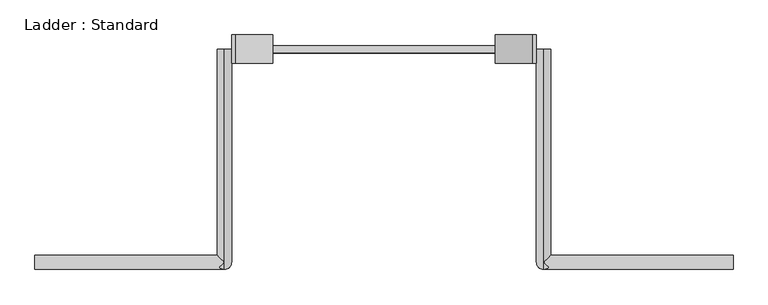
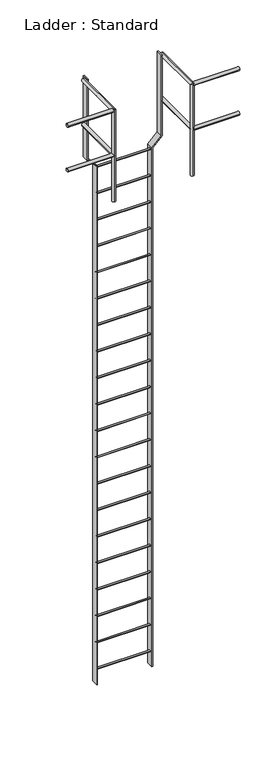
"""IFC4 building model written with IfcOpenShell, lengths in millimetres: proxy geometry, Ladder : Standard."""

from ifc_helpers import new_model, si_unit, point, frame, frame_2d, origin, place, context, project, spatial, polyline, circle_curve, ellipse_curve, trimmed, segment, composite_curve, outline, extrude, source, transform, mapped, element, save
from ifc_brep_helpers import plane_surface, cylinder_surface, advanced_brep


def ladder_standard_4000317c(model_context):
    return source(origin(), model_context, "Body", "SolidModel", [
        extrude(outline(composite_curve([segment(trimmed(circle_curve(frame_2d((571.5, -5791.2)), 9.525), [point((561.975, -5791.2))], [point((581.025, -5791.2))], False, "CARTESIAN"), True, "CONTINUOUS"), segment(trimmed(circle_curve(frame_2d((571.5, -5791.2)), 9.525), [point((581.025, -5791.2))], [point((561.975, -5791.2))], False, "CARTESIAN"), True, "CONTINUOUS")], self_intersect=False)), frame((-297.6516683, 0.0, 0.0), z_axis=(1.0, 0.0, 0.0), x_axis=(0.0, 1.0, 0.0)), (0.0, 0.0, 1.0), 595.3033366),
        extrude(outline(composite_curve([segment(trimmed(circle_curve(frame_2d((571.5, -5486.4)), 9.525), [point((561.975, -5486.4))], [point((581.025, -5486.4))], False, "CARTESIAN"), True, "CONTINUOUS"), segment(trimmed(circle_curve(frame_2d((571.5, -5486.4)), 9.525), [point((581.025, -5486.4))], [point((561.975, -5486.4))], False, "CARTESIAN"), True, "CONTINUOUS")], self_intersect=False)), frame((-297.6516683, 0.0, 0.0), z_axis=(1.0, 0.0, 0.0), x_axis=(0.0, 1.0, 0.0)), (0.0, 0.0, 1.0), 595.3033366),
        extrude(outline(composite_curve([segment(trimmed(circle_curve(frame_2d((571.5, -5181.6)), 9.525), [point((561.975, -5181.6))], [point((581.025, -5181.6))], False, "CARTESIAN"), True, "CONTINUOUS"), segment(trimmed(circle_curve(frame_2d((571.5, -5181.6)), 9.525), [point((581.025, -5181.6))], [point((561.975, -5181.6))], False, "CARTESIAN"), True, "CONTINUOUS")], self_intersect=False)), frame((-297.6516683, 0.0, 0.0), z_axis=(1.0, 0.0, 0.0), x_axis=(0.0, 1.0, 0.0)), (0.0, 0.0, 1.0), 595.3033366),
        extrude(outline(composite_curve([segment(trimmed(circle_curve(frame_2d((571.5, -4876.8)), 9.525), [point((561.975, -4876.8))], [point((581.025, -4876.8))], False, "CARTESIAN"), True, "CONTINUOUS"), segment(trimmed(circle_curve(frame_2d((571.5, -4876.8)), 9.525), [point((581.025, -4876.8))], [point((561.975, -4876.8))], False, "CARTESIAN"), True, "CONTINUOUS")], self_intersect=False)), frame((-297.6516683, 0.0, 0.0), z_axis=(1.0, 0.0, 0.0), x_axis=(0.0, 1.0, 0.0)), (0.0, 0.0, 1.0), 595.3033366),
        extrude(outline(composite_curve([segment(trimmed(circle_curve(frame_2d((571.5, -4572.0)), 9.525), [point((561.975, -4572.0))], [point((581.025, -4572.0))], False, "CARTESIAN"), True, "CONTINUOUS"), segment(trimmed(circle_curve(frame_2d((571.5, -4572.0)), 9.525), [point((581.025, -4572.0))], [point((561.975, -4572.0))], False, "CARTESIAN"), True, "CONTINUOUS")], self_intersect=False)), frame((-297.6516683, 0.0, 0.0), z_axis=(1.0, 0.0, 0.0), x_axis=(0.0, 1.0, 0.0)), (0.0, 0.0, 1.0), 595.3033366),
        extrude(outline(composite_curve([segment(trimmed(circle_curve(frame_2d((571.5, -4267.2)), 9.525), [point((561.975, -4267.2))], [point((581.025, -4267.2))], False, "CARTESIAN"), True, "CONTINUOUS"), segment(trimmed(circle_curve(frame_2d((571.5, -4267.2)), 9.525), [point((581.025, -4267.2))], [point((561.975, -4267.2))], False, "CARTESIAN"), True, "CONTINUOUS")], self_intersect=False)), frame((-297.6516683, 0.0, 0.0), z_axis=(1.0, 0.0, 0.0), x_axis=(0.0, 1.0, 0.0)), (0.0, 0.0, 1.0), 595.3033366),
        extrude(outline(composite_curve([segment(trimmed(circle_curve(frame_2d((571.5, -3962.4)), 9.525), [point((561.975, -3962.4))], [point((581.025, -3962.4))], False, "CARTESIAN"), True, "CONTINUOUS"), segment(trimmed(circle_curve(frame_2d((571.5, -3962.4)), 9.525), [point((581.025, -3962.4))], [point((561.975, -3962.4))], False, "CARTESIAN"), True, "CONTINUOUS")], self_intersect=False)), frame((-297.6516683, 0.0, 0.0), z_axis=(1.0, 0.0, 0.0), x_axis=(0.0, 1.0, 0.0)), (0.0, 0.0, 1.0), 595.3033366),
        extrude(outline(composite_curve([segment(trimmed(circle_curve(frame_2d((571.5, -3657.6)), 9.525), [point((561.975, -3657.6))], [point((581.025, -3657.6))], False, "CARTESIAN"), True, "CONTINUOUS"), segment(trimmed(circle_curve(frame_2d((571.5, -3657.6)), 9.525), [point((581.025, -3657.6))], [point((561.975, -3657.6))], False, "CARTESIAN"), True, "CONTINUOUS")], self_intersect=False)), frame((-297.6516683, 0.0, 0.0), z_axis=(1.0, 0.0, 0.0), x_axis=(0.0, 1.0, 0.0)), (0.0, 0.0, 1.0), 595.3033366),
        extrude(outline(composite_curve([segment(trimmed(circle_curve(frame_2d((571.5, -3352.8)), 9.525), [point((561.975, -3352.8))], [point((581.025, -3352.8))], False, "CARTESIAN"), True, "CONTINUOUS"), segment(trimmed(circle_curve(frame_2d((571.5, -3352.8)), 9.525), [point((581.025, -3352.8))], [point((561.975, -3352.8))], False, "CARTESIAN"), True, "CONTINUOUS")], self_intersect=False)), frame((-297.6516683, 0.0, 0.0), z_axis=(1.0, 0.0, 0.0), x_axis=(0.0, 1.0, 0.0)), (0.0, 0.0, 1.0), 595.3033366),
        extrude(outline(composite_curve([segment(trimmed(circle_curve(frame_2d((571.5, -3048.0)), 9.525), [point((561.975, -3048.0))], [point((581.025, -3048.0))], False, "CARTESIAN"), True, "CONTINUOUS"), segment(trimmed(circle_curve(frame_2d((571.5, -3048.0)), 9.525), [point((581.025, -3048.0))], [point((561.975, -3048.0))], False, "CARTESIAN"), True, "CONTINUOUS")], self_intersect=False)), frame((-297.6516683, 0.0, 0.0), z_axis=(1.0, 0.0, 0.0), x_axis=(0.0, 1.0, 0.0)), (0.0, 0.0, 1.0), 595.3033366),
        extrude(outline(composite_curve([segment(trimmed(circle_curve(frame_2d((571.5, -2743.2)), 9.525), [point((561.975, -2743.2))], [point((581.025, -2743.2))], False, "CARTESIAN"), True, "CONTINUOUS"), segment(trimmed(circle_curve(frame_2d((571.5, -2743.2)), 9.525), [point((581.025, -2743.2))], [point((561.975, -2743.2))], False, "CARTESIAN"), True, "CONTINUOUS")], self_intersect=False)), frame((-297.6516683, 0.0, 0.0), z_axis=(1.0, 0.0, 0.0), x_axis=(0.0, 1.0, 0.0)), (0.0, 0.0, 1.0), 595.3033366),
        extrude(outline(composite_curve([segment(trimmed(circle_curve(frame_2d((571.5, -2438.4)), 9.525), [point((561.975, -2438.4))], [point((581.025, -2438.4))], False, "CARTESIAN"), True, "CONTINUOUS"), segment(trimmed(circle_curve(frame_2d((571.5, -2438.4)), 9.525), [point((581.025, -2438.4))], [point((561.975, -2438.4))], False, "CARTESIAN"), True, "CONTINUOUS")], self_intersect=False)), frame((-297.6516683, 0.0, 0.0), z_axis=(1.0, 0.0, 0.0), x_axis=(0.0, 1.0, 0.0)), (0.0, 0.0, 1.0), 595.3033366),
        extrude(outline(composite_curve([segment(trimmed(circle_curve(frame_2d((571.5, -2133.6)), 9.525), [point((561.975, -2133.6))], [point((581.025, -2133.6))], False, "CARTESIAN"), True, "CONTINUOUS"), segment(trimmed(circle_curve(frame_2d((571.5, -2133.6)), 9.525), [point((581.025, -2133.6))], [point((561.975, -2133.6))], False, "CARTESIAN"), True, "CONTINUOUS")], self_intersect=False)), frame((-297.6516683, 0.0, 0.0), z_axis=(1.0, 0.0, 0.0), x_axis=(0.0, 1.0, 0.0)), (0.0, 0.0, 1.0), 595.3033366),
        extrude(outline(composite_curve([segment(trimmed(circle_curve(frame_2d((571.5, -1828.8)), 9.525), [point((561.975, -1828.8))], [point((581.025, -1828.8))], False, "CARTESIAN"), True, "CONTINUOUS"), segment(trimmed(circle_curve(frame_2d((571.5, -1828.8)), 9.525), [point((581.025, -1828.8))], [point((561.975, -1828.8))], False, "CARTESIAN"), True, "CONTINUOUS")], self_intersect=False)), frame((-297.6516683, 0.0, 0.0), z_axis=(1.0, 0.0, 0.0), x_axis=(0.0, 1.0, 0.0)), (0.0, 0.0, 1.0), 595.3033366),
        extrude(outline(composite_curve([segment(trimmed(circle_curve(frame_2d((571.5, -1524.0)), 9.525), [point((561.975, -1524.0))], [point((581.025, -1524.0))], False, "CARTESIAN"), True, "CONTINUOUS"), segment(trimmed(circle_curve(frame_2d((571.5, -1524.0)), 9.525), [point((581.025, -1524.0))], [point((561.975, -1524.0))], False, "CARTESIAN"), True, "CONTINUOUS")], self_intersect=False)), frame((-297.6516683, 0.0, 0.0), z_axis=(1.0, 0.0, 0.0), x_axis=(0.0, 1.0, 0.0)), (0.0, 0.0, 1.0), 595.3033366),
        extrude(outline(composite_curve([segment(trimmed(circle_curve(frame_2d((571.5, -1219.2)), 9.525), [point((561.975, -1219.2))], [point((581.025, -1219.2))], False, "CARTESIAN"), True, "CONTINUOUS"), segment(trimmed(circle_curve(frame_2d((571.5, -1219.2)), 9.525), [point((581.025, -1219.2))], [point((561.975, -1219.2))], False, "CARTESIAN"), True, "CONTINUOUS")], self_intersect=False)), frame((-297.6516683, 0.0, 0.0), z_axis=(1.0, 0.0, 0.0), x_axis=(0.0, 1.0, 0.0)), (0.0, 0.0, 1.0), 595.3033366),
        extrude(outline(composite_curve([segment(trimmed(circle_curve(frame_2d((571.5, -914.4)), 9.525), [point((561.975, -914.4))], [point((581.025, -914.4))], False, "CARTESIAN"), True, "CONTINUOUS"), segment(trimmed(circle_curve(frame_2d((571.5, -914.4)), 9.525), [point((581.025, -914.4))], [point((561.975, -914.4))], False, "CARTESIAN"), True, "CONTINUOUS")], self_intersect=False)), frame((-297.6516683, 0.0, 0.0), z_axis=(1.0, 0.0, 0.0), x_axis=(0.0, 1.0, 0.0)), (0.0, 0.0, 1.0), 595.3033366),
        extrude(outline(composite_curve([segment(trimmed(circle_curve(frame_2d((571.5, -609.6)), 9.525), [point((561.975, -609.6))], [point((581.025, -609.6))], False, "CARTESIAN"), True, "CONTINUOUS"), segment(trimmed(circle_curve(frame_2d((571.5, -609.6)), 9.525), [point((581.025, -609.6))], [point((561.975, -609.6))], False, "CARTESIAN"), True, "CONTINUOUS")], self_intersect=False)), frame((-297.6516683, 0.0, 0.0), z_axis=(1.0, 0.0, 0.0), x_axis=(0.0, 1.0, 0.0)), (0.0, 0.0, 1.0), 595.3033366),
        extrude(outline(composite_curve([segment(trimmed(circle_curve(frame_2d((571.5, -304.8)), 9.525), [point((561.975, -304.8))], [point((581.025, -304.8))], False, "CARTESIAN"), True, "CONTINUOUS"), segment(trimmed(circle_curve(frame_2d((571.5, -304.8)), 9.525), [point((581.025, -304.8))], [point((561.975, -304.8))], False, "CARTESIAN"), True, "CONTINUOUS")], self_intersect=False)), frame((-297.6516683, 0.0, 0.0), z_axis=(1.0, 0.0, 0.0), x_axis=(0.0, 1.0, 0.0)), (0.0, 0.0, 1.0), 595.3033366),
        extrude(outline(composite_curve([segment(trimmed(circle_curve(frame_2d((571.5, 0.0)), 9.525), [point((561.975, 0.0))], [point((581.025, 0.0))], False, "CARTESIAN"), True, "CONTINUOUS"), segment(trimmed(circle_curve(frame_2d((571.5, 0.0)), 9.525), [point((581.025, 0.0))], [point((561.975, 0.0))], False, "CARTESIAN"), True, "CONTINUOUS")], self_intersect=False)), frame((-297.6516683, 0.0, 0.0), z_axis=(1.0, 0.0, 0.0), x_axis=(0.0, 1.0, 0.0)), (0.0, 0.0, 1.0), 595.3033366),
        advanced_brep(
        [(408.7766683, 571.5, 533.4), (446.8766683, 571.5, 533.4), (446.8766683, 19.05, 533.4), (441.2970525, 13.4703842, 519.9296158), (427.8266683, 19.05, 514.35), (408.7766683, 0.0, 533.4), (427.8266683, 19.05, 552.45), (441.2970525, 13.4703842, 546.8703842), (935.8266683, -19.05, 533.4), (935.8266683, 19.05, 533.4), (427.8266683, -19.05, 533.4), (427.8266683, 19.05, 0.0), (427.8266683, -19.05, 0.0), (427.8266683, 19.05, 1028.7), (441.2970525, 13.4703842, 1034.2796158), (427.8266683, -19.05, 1047.75), (441.2970525, -13.4703842, 1061.2203842), (427.8266683, -19.05, 1066.8), (427.8266683, 571.5, 1028.7), (427.8266683, 571.5, 1066.8), (427.8266683, 0.0, 1066.8), (446.8766683, 19.05, 1047.75), (935.8266683, -19.05, 1047.75), (935.8266683, 19.05, 1047.75)],
        [
            (0, 1, circle_curve(frame((427.8266683, 571.5, 533.4), z_axis=(0.0, 1.0, 0.0), x_axis=(1.0, 0.0, 0.0)), 19.05)),
            (1, 0, circle_curve(frame((427.8266683, 571.5, 533.4), z_axis=(0.0, 1.0, 0.0), x_axis=(1.0, 0.0, 0.0)), 19.05)),
            (1, 2),
            (2, 3, ellipse_curve(frame((427.8266683, 0.0, 533.4), z_axis=(-0.7071067811865459, 0.7071067811865492, 0.0), x_axis=(-0.7071067811865492, -0.7071067811865457, 0.0)), 26.9407684, 19.05)),
            (3, 4, ellipse_curve(frame((427.8266683, 0.0, 533.4), z_axis=(0.0, 0.7071067811865475, 0.7071067811865475), x_axis=(0.0, -0.7071067811865476, 0.7071067811865474)), 26.9407684, 19.05)),
            (4, 5, ellipse_curve(frame((427.8266683, 0.0, 533.4), z_axis=(0.0, 0.7071067811865475, 0.7071067811865475), x_axis=(0.0, -0.7071067811865476, 0.7071067811865474)), 26.9407684, 19.05)),
            (5, 0),
            (5, 6, ellipse_curve(frame((427.8266683, 0.0, 533.4), z_axis=(0.0, 0.7071067811865475, -0.7071067811865475), x_axis=(0.0, -0.7071067811865476, -0.7071067811865474)), 26.9407684, 19.05)),
            (6, 7, ellipse_curve(frame((427.8266683, 0.0, 533.4), z_axis=(0.0, 0.7071067811865475, -0.7071067811865475), x_axis=(0.0, -0.7071067811865476, -0.7071067811865474)), 26.9407684, 19.05)),
            (7, 2, ellipse_curve(frame((427.8266683, 0.0, 533.4), z_axis=(-0.7071067811865459, 0.7071067811865492, 0.0), x_axis=(-0.7071067811865492, -0.7071067811865457, 0.0)), 26.9407684, 19.05)),
            (8, 9, circle_curve(frame((935.8266683, 0.0, 533.4), z_axis=(1.0, 0.0, 0.0), x_axis=(0.0, 1.0, 0.0)), 19.05)),
            (9, 8, circle_curve(frame((935.8266683, 0.0, 533.4), z_axis=(1.0, 0.0, 0.0), x_axis=(0.0, 1.0, 0.0)), 19.05)),
            (8, 10),
            (10, 3, ellipse_curve(frame((427.8266683, 0.0, 533.4), z_axis=(0.7071067811865475, 0.0, 0.7071067811865476), x_axis=(0.7071067811865476, 0.0, -0.7071067811865474)), 26.9407684, 19.05)),
            (2, 9),
            (7, 10, ellipse_curve(frame((427.8266683, 0.0, 533.4), z_axis=(0.7071067811865476, 0.0, -0.7071067811865475), x_axis=(0.7071067811865474, 0.0, 0.7071067811865476)), 26.9407684, 19.05)),
            (11, 12, circle_curve(frame((427.8266683, 0.0, 0.0), z_axis=(0.0, 0.0, -1.0), x_axis=(0.0, -1.0, 0.0)), 19.05)),
            (12, 11, circle_curve(frame((427.8266683, 0.0, 0.0), z_axis=(0.0, 0.0, -1.0), x_axis=(0.0, -1.0, 0.0)), 19.05)),
            (11, 4),
            (10, 12),
            (6, 13),
            (13, 14, ellipse_curve(frame((427.8266683, 0.0, 1047.75), z_axis=(0.0, -0.7071067811865475, -0.7071067811865475), x_axis=(0.0, 0.7071067811865474, -0.7071067811865476)), 26.9407684, 19.05)),
            (14, 15, ellipse_curve(frame((427.8266683, 0.0, 1047.75), z_axis=(-0.7071067811865475, 0.0, -0.7071067811865476), x_axis=(0.7071067811865476, 0.0, -0.7071067811865474)), 26.9407684, 19.05)),
            (15, 10),
            (16, 17, ellipse_curve(frame((427.8266683, 0.0, 1047.75), z_axis=(0.0, -0.7071067811865475, -0.7071067811865475), x_axis=(0.0, 0.7071067811865474, -0.7071067811865476)), 26.9407684, 19.05)),
            (17, 15),
            (15, 16, ellipse_curve(frame((427.8266683, 0.0, 1047.75), z_axis=(-0.7071067811865476, 0.0, 0.7071067811865475), x_axis=(-0.7071067811865474, 0.0, -0.7071067811865476)), 26.9407684, 19.05)),
            (17, 13, ellipse_curve(frame((427.8266683, 0.0, 1047.75), z_axis=(0.0, -0.7071067811865475, -0.7071067811865475), x_axis=(0.0, 0.7071067811865474, -0.7071067811865476)), 26.9407684, 19.05)),
            (18, 19, circle_curve(frame((427.8266683, 571.5, 1047.75), z_axis=(0.0, 1.0, 0.0), x_axis=(0.0, 0.0, 1.0)), 19.05)),
            (19, 18, circle_curve(frame((427.8266683, 571.5, 1047.75), z_axis=(0.0, 1.0, 0.0), x_axis=(0.0, 0.0, 1.0)), 19.05)),
            (16, 20, ellipse_curve(frame((427.8266683, 0.0, 1047.75), z_axis=(-0.7071067811865508, -0.7071067811865441, 0.0), x_axis=(0.7071067811865441, -0.7071067811865509, 0.0)), 26.9407684, 19.05)),
            (20, 17),
            (19, 20),
            (20, 21, ellipse_curve(frame((427.8266683, 0.0, 1047.75), z_axis=(-0.7071067811865441, 0.7071067811865508, 0.0), x_axis=(-0.7071067811865507, -0.7071067811865442, 0.0)), 26.9407684, 19.05)),
            (21, 14, ellipse_curve(frame((427.8266683, 0.0, 1047.75), z_axis=(-0.7071067811865441, 0.7071067811865508, 0.0), x_axis=(-0.7071067811865507, -0.7071067811865442, 0.0)), 26.9407684, 19.05)),
            (13, 18),
            (22, 23, circle_curve(frame((935.8266683, 0.0, 1047.75), z_axis=(1.0, 0.0, 0.0), x_axis=(0.0, 1.0, 0.0)), 19.05)),
            (23, 22, circle_curve(frame((935.8266683, 0.0, 1047.75), z_axis=(1.0, 0.0, 0.0), x_axis=(0.0, 1.0, 0.0)), 19.05)),
            (22, 15),
            (21, 23),
        ],
        [
            plane_surface(frame((446.8766683, 571.5, 533.4), z_axis=(0.0, 1.0, 0.0), x_axis=(0.0, 0.0, -1.0))),
            cylinder_surface(frame((427.8266683, 571.5, 533.4), z_axis=(0.0, -1.0, 0.0), x_axis=(1.0, 0.0, 0.0)), 19.05),
            plane_surface(frame((935.8266683, 19.05, 533.4), z_axis=(1.0, 0.0, 0.0), x_axis=(0.0, 0.0, 1.0))),
            cylinder_surface(frame((427.8266683, 0.0, 533.4), z_axis=(1.0, 0.0, 0.0), x_axis=(0.0, 1.0, 0.0)), 19.05),
            plane_surface(frame((0.0, 0.0, 0.0), z_axis=(0.0, 0.0, -1.0), x_axis=(1.0, 0.0, 0.0))),
            cylinder_surface(frame((427.8266683, 0.0, 0.0), z_axis=(0.0, 0.0, -1.0), x_axis=(0.0, -1.0, 0.0)), 19.05),
            plane_surface(frame((0.0, 571.5, 1047.75), z_axis=(0.0, 1.0, 0.0), x_axis=(1.0, 0.0, 0.0))),
            cylinder_surface(frame((427.8266683, 0.0, 1047.75), z_axis=(0.0, -1.0, 0.0), x_axis=(0.0, 0.0, 1.0)), 19.05),
            plane_surface(frame((935.8266683, 19.05, 1047.75), z_axis=(1.0, 0.0, 0.0), x_axis=(0.0, 0.0, 1.0))),
            cylinder_surface(frame((427.8266683, 0.0, 1047.75), z_axis=(1.0, 0.0, 0.0), x_axis=(0.0, 1.0, 0.0)), 19.05),
        ],
        [
            (0, [[1, 2]]),
            (1, [[-2, 3, 4, 5, 6, 7]]),
            (1, [[-1, -7, 8, 9, 10, -3]]),
            (2, [[11, 12]]),
            (3, [[-11, 13, 14, -4, 15]]),
            (3, [[-12, -15, -10, 16, -13]]),
            (4, [[17, 18]]),
            (5, [[-17, 19, -5, -14, 20]]),
            (5, [[21, 22, 23, 24, -16, -9]]),
            (5, [[25, 26, 27]]),
            (5, [[-18, -20, -24, -26, 28, -21, -8, -6, -19]]),
            (6, [[29, 30]]),
            (7, [[-25, 31, 32]]),
            (7, [[-30, 33, 34, 35, -22, 36]]),
            (7, [[-28, -32, -33, -29, -36]]),
            (8, [[37, 38]]),
            (9, [[-37, 39, -23, -35, 40]]),
            (9, [[-38, -40, -34, -31, -27, -39]]),
        ],
    ),
        advanced_brep(
        [(-935.8266683, -19.05, 533.4), (-935.8266683, 19.05, 533.4), (-446.8766683, 19.05, 533.4), (-441.2970525, 13.4703842, 519.9296158), (-427.8266683, -19.05, 533.4), (-441.2970525, 13.4703842, 546.8703842), (-446.8766683, 571.5, 533.4), (-408.7766683, 571.5, 533.4), (-408.7766683, 0.0, 533.4), (-427.8266683, 19.05, 514.35), (-427.8266683, 19.05, 552.45), (-427.8266683, 19.05, 0.0), (-427.8266683, -19.05, 0.0), (-427.8266683, 19.05, 1028.7), (-427.8266683, -19.05, 1066.8), (-427.8266683, -19.05, 1047.75), (-441.2970525, 13.4703842, 1034.2796158), (-441.2970525, -13.4703842, 1061.2203842), (-427.8266683, 571.5, 1028.7), (-427.8266683, 571.5, 1066.8), (-427.8266683, 0.0, 1066.8), (-446.8766683, 19.05, 1047.75), (-935.8266683, -19.05, 1047.75), (-935.8266683, 19.05, 1047.75)],
        [
            (0, 1, circle_curve(frame((-935.8266683, 0.0, 533.4), z_axis=(-1.0, 0.0, 0.0), x_axis=(0.0, 1.0, 0.0)), 19.05)),
            (1, 0, circle_curve(frame((-935.8266683, 0.0, 533.4), z_axis=(-1.0, 0.0, 0.0), x_axis=(0.0, 1.0, 0.0)), 19.05)),
            (1, 2),
            (2, 3, ellipse_curve(frame((-427.8266683, 0.0, 533.4), z_axis=(-0.7071067811865491, -0.7071067811865458, 0.0), x_axis=(0.7071067811865459, -0.707106781186549, 0.0)), 26.9407684, 19.05)),
            (3, 4, ellipse_curve(frame((-427.8266683, 0.0, 533.4), z_axis=(-0.7071067811865476, 0.0, 0.7071067811865475), x_axis=(0.7071067811865474, 0.0, 0.7071067811865476)), 26.9407684, 19.05)),
            (4, 0),
            (4, 5, ellipse_curve(frame((-427.8266683, 0.0, 533.4), z_axis=(-0.7071067811865475, 0.0, -0.7071067811865476), x_axis=(0.7071067811865476, 0.0, -0.7071067811865474)), 26.9407684, 19.05)),
            (5, 2, ellipse_curve(frame((-427.8266683, 0.0, 533.4), z_axis=(-0.7071067811865491, -0.7071067811865458, 0.0), x_axis=(0.7071067811865459, -0.707106781186549, 0.0)), 26.9407684, 19.05)),
            (6, 7, circle_curve(frame((-427.8266683, 571.5, 533.4), z_axis=(0.0, 1.0, 0.0), x_axis=(1.0, 0.0, 0.0)), 19.05)),
            (7, 6, circle_curve(frame((-427.8266683, 571.5, 533.4), z_axis=(0.0, 1.0, 0.0), x_axis=(1.0, 0.0, 0.0)), 19.05)),
            (7, 8),
            (8, 9, ellipse_curve(frame((-427.8266683, 0.0, 533.4), z_axis=(0.0, 0.7071067811865475, 0.7071067811865475), x_axis=(0.0, -0.7071067811865476, 0.7071067811865474)), 26.9407684, 19.05)),
            (9, 3, ellipse_curve(frame((-427.8266683, 0.0, 533.4), z_axis=(0.0, 0.7071067811865475, 0.7071067811865475), x_axis=(0.0, -0.7071067811865476, 0.7071067811865474)), 26.9407684, 19.05)),
            (2, 6),
            (5, 10, ellipse_curve(frame((-427.8266683, 0.0, 533.4), z_axis=(0.0, 0.7071067811865475, -0.7071067811865475), x_axis=(0.0, -0.7071067811865476, -0.7071067811865474)), 26.9407684, 19.05)),
            (10, 8, ellipse_curve(frame((-427.8266683, 0.0, 533.4), z_axis=(0.0, 0.7071067811865475, -0.7071067811865475), x_axis=(0.0, -0.7071067811865476, -0.7071067811865474)), 26.9407684, 19.05)),
            (11, 12, circle_curve(frame((-427.8266683, 0.0, 0.0), z_axis=(0.0, 0.0, -1.0), x_axis=(0.0, -1.0, 0.0)), 19.05)),
            (12, 11, circle_curve(frame((-427.8266683, 0.0, 0.0), z_axis=(0.0, 0.0, -1.0), x_axis=(0.0, -1.0, 0.0)), 19.05)),
            (11, 9),
            (10, 13),
            (13, 14, ellipse_curve(frame((-427.8266683, 0.0, 1047.75), z_axis=(0.0, -0.7071067811865475, -0.7071067811865475), x_axis=(0.0, 0.7071067811865474, -0.7071067811865476)), 26.9407684, 19.05)),
            (14, 15),
            (15, 4),
            (4, 12),
            (15, 16, ellipse_curve(frame((-427.8266683, 0.0, 1047.75), z_axis=(0.7071067811865476, 0.0, -0.7071067811865475), x_axis=(-0.7071067811865474, 0.0, -0.7071067811865476)), 26.9407684, 19.05)),
            (16, 13, ellipse_curve(frame((-427.8266683, 0.0, 1047.75), z_axis=(0.0, -0.7071067811865475, -0.7071067811865475), x_axis=(0.0, 0.7071067811865474, -0.7071067811865476)), 26.9407684, 19.05)),
            (14, 17, ellipse_curve(frame((-427.8266683, 0.0, 1047.75), z_axis=(0.0, -0.7071067811865475, -0.7071067811865475), x_axis=(0.0, 0.7071067811865474, -0.7071067811865476)), 26.9407684, 19.05)),
            (17, 15, ellipse_curve(frame((-427.8266683, 0.0, 1047.75), z_axis=(0.7071067811865475, 0.0, 0.7071067811865476), x_axis=(0.7071067811865476, 0.0, -0.7071067811865474)), 26.9407684, 19.05)),
            (18, 19, circle_curve(frame((-427.8266683, 571.5, 1047.75), z_axis=(0.0, 1.0, 0.0), x_axis=(0.0, 0.0, 1.0)), 19.05)),
            (19, 18, circle_curve(frame((-427.8266683, 571.5, 1047.75), z_axis=(0.0, 1.0, 0.0), x_axis=(0.0, 0.0, 1.0)), 19.05)),
            (13, 18),
            (19, 20),
            (20, 14),
            (20, 17, ellipse_curve(frame((-427.8266683, 0.0, 1047.75), z_axis=(0.7071067811865441, -0.7071067811865508, 0.0), x_axis=(-0.7071067811865507, -0.7071067811865442, 0.0)), 26.9407684, 19.05)),
            (16, 21, ellipse_curve(frame((-427.8266683, 0.0, 1047.75), z_axis=(0.7071067811865508, 0.7071067811865441, 0.0), x_axis=(0.7071067811865441, -0.7071067811865509, 0.0)), 26.9407684, 19.05)),
            (21, 20, ellipse_curve(frame((-427.8266683, 0.0, 1047.75), z_axis=(0.7071067811865508, 0.7071067811865441, 0.0), x_axis=(0.7071067811865441, -0.7071067811865509, 0.0)), 26.9407684, 19.05)),
            (22, 23, circle_curve(frame((-935.8266683, 0.0, 1047.75), z_axis=(-1.0, 0.0, 0.0), x_axis=(0.0, 1.0, 0.0)), 19.05)),
            (23, 22, circle_curve(frame((-935.8266683, 0.0, 1047.75), z_axis=(-1.0, 0.0, 0.0), x_axis=(0.0, 1.0, 0.0)), 19.05)),
            (23, 21),
            (15, 22),
        ],
        [
            plane_surface(frame((-935.8266683, 19.05, 533.4), z_axis=(-1.0, 0.0, 0.0), x_axis=(0.0, 0.0, -1.0))),
            cylinder_surface(frame((-935.8266683, 0.0, 533.4), z_axis=(1.0, 0.0, 0.0), x_axis=(0.0, 1.0, 0.0)), 19.05),
            plane_surface(frame((-408.7766683, 571.5, 533.4), z_axis=(0.0, 1.0, 0.0), x_axis=(0.0, 0.0, -1.0))),
            cylinder_surface(frame((-427.8266683, 571.5, 533.4), z_axis=(0.0, -1.0, 0.0), x_axis=(1.0, 0.0, 0.0)), 19.05),
            plane_surface(frame((0.0, 0.0, 0.0), z_axis=(0.0, 0.0, -1.0), x_axis=(1.0, 0.0, 0.0))),
            cylinder_surface(frame((-427.8266683, 0.0, 0.0), z_axis=(0.0, 0.0, -1.0), x_axis=(0.0, -1.0, 0.0)), 19.05),
            plane_surface(frame((0.0, 571.5, 1047.75), z_axis=(0.0, 1.0, 0.0), x_axis=(1.0, 0.0, 0.0))),
            cylinder_surface(frame((-427.8266683, 0.0, 1047.75), z_axis=(0.0, -1.0, 0.0), x_axis=(0.0, 0.0, 1.0)), 19.05),
            plane_surface(frame((-935.8266683, 19.05, 1047.75), z_axis=(-1.0, 0.0, 0.0), x_axis=(0.0, 0.0, -1.0))),
            cylinder_surface(frame((-935.8266683, 0.0, 1047.75), z_axis=(1.0, 0.0, 0.0), x_axis=(0.0, 1.0, 0.0)), 19.05),
        ],
        [
            (0, [[1, 2]]),
            (1, [[-2, 3, 4, 5, 6]]),
            (1, [[-1, -6, 7, 8, -3]]),
            (2, [[9, 10]]),
            (3, [[-10, 11, 12, 13, -4, 14]]),
            (3, [[-9, -14, -8, 15, 16, -11]]),
            (4, [[17, 18]]),
            (5, [[-17, 19, -12, -16, 20, 21, 22, 23, 24]]),
            (5, [[-18, -24, -5, -13, -19]]),
            (5, [[-20, -15, -7, -23, 25, 26]]),
            (5, [[27, 28, -22]]),
            (6, [[29, 30]]),
            (7, [[-21, 31, -30, 32, 33]]),
            (7, [[-27, -33, 34]]),
            (7, [[-29, -31, -26, 35, 36, -32]]),
            (8, [[37, 38]]),
            (9, [[-38, 39, -35, -25, 40]]),
            (9, [[-37, -40, -28, -34, -36, -39]]),
        ],
    ),
        extrude(outline(polyline([(1066.8, -408.7766683), (133.35, -408.7766683), (31.75, -307.1766683), (-5949.95, -307.1766683), (-5949.95, -297.6516683), (35.6953842, -297.6516683), (137.2953842, -399.2516683), (1066.8, -399.2516683), (1066.8, -408.7766683)])), frame((0.0, 533.4, 0.0), z_axis=(0.0, 1.0, 0.0), x_axis=(0.0, 0.0, 1.0)), (0.0, 0.0, 1.0), 76.2),
        extrude(outline(polyline([(1066.8, 399.2516683), (137.2953842, 399.2516683), (35.6953842, 297.6516683), (-5949.95, 297.6516683), (-5949.95, 307.1766683), (31.75, 307.1766683), (133.35, 408.7766683), (1066.8, 408.7766683), (1066.8, 399.2516683)])), frame((0.0, 533.4, 0.0), z_axis=(0.0, 1.0, 0.0), x_axis=(0.0, 0.0, 1.0)), (0.0, 0.0, 1.0), 76.2),
    ])


if __name__ == "__main__":
    model = new_model("IFC4")
    model_context = context("Model", 3, world=origin())
    ifc_project = project(units=[si_unit("LENGTHUNIT", "METRE", prefix="MILLI")], contexts=[model_context])
    site = spatial("IfcSite", under=ifc_project)
    building = spatial("IfcBuilding", under=site)
    placement = place(None, origin())
    ladder_standard_shape = ladder_standard_4000317c(model_context)
    element("IfcBuildingElementProxy", 1, Name="Ladder : Standard", ObjectType="Ladder : Standard", at=placement, inside=building, context=model_context, shape_type="MappedRepresentation", body=[
        mapped(ladder_standard_shape, transform((0.0, 0.0, 0.0), x_axis=(1.0, 0.0, 0.0), y_axis=(0.0, 1.0, 0.0), z_axis=(0.0, 0.0, 1.0))),
    ])
    save(model, "model.ifc")
